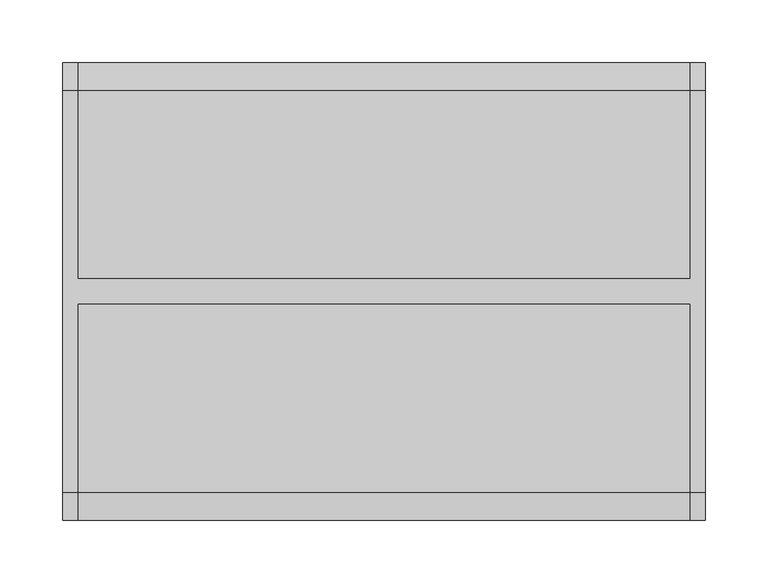
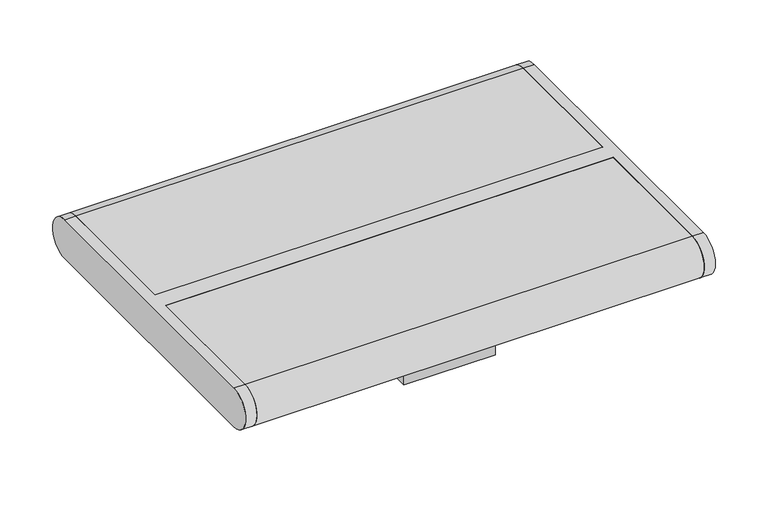
"""IFC4 building model written with IfcOpenShell, lengths in millimetres: furniture geometry."""

from ifc_helpers import new_model, si_unit, point, frame, frame_2d, origin, place, context, project, spatial, polyline, circle_curve, trimmed, segment, composite_curve, outline, extrude, source, transform, mapped, element, save
from ifc_brep_helpers import plane_surface, cylinder_surface, advanced_brep


def furniture_2fbe1e4c(model_context):
    return source(origin(), model_context, "Body", "SolidModel", [
        extrude(outline(polyline([(125.0, 359.0), (-125.0, 359.0), (-125.0, 405.0), (125.0, 405.0), (125.0, 359.0)]), holes=[polyline([(-117.202041, 397.0), (-117.202041, 367.0), (117.202041, 367.0), (117.202041, 397.0), (-117.202041, 397.0)])]), frame((-50.0, 0.0, 0.0), z_axis=(1.0, 0.0, 0.0), x_axis=(0.0, 1.0, 0.0)), (0.0, 0.0, 1.0), 100.0),
        advanced_brep(
        [(257.0, -161.0, 405.0), (257.0, 160.0, 405.0), (257.0, 160.0, 450.0), (257.0, -161.0, 450.0), (245.0, -161.0, 405.0), (245.0, -161.0, 450.0), (245.0, -10.5, 450.0), (245.0, -10.5, 405.0), (245.0, 160.0, 450.0), (245.0, 160.0, 405.0), (245.0, 9.5, 405.0), (245.0, 9.5, 450.0), (-245.0, 9.5, 450.0), (-245.0, 160.0, 450.0), (-257.0, 160.0, 450.0), (-257.0, -161.0, 450.0), (-245.0, -161.0, 450.0), (-245.0, -10.5, 450.0), (-245.0, -10.5, 405.0), (-245.0, -161.0, 405.0), (-257.0, -161.0, 405.0), (-257.0, 160.0, 405.0), (-245.0, 160.0, 405.0), (-245.0, 9.5, 405.0)],
        [
            (0, 1),
            (1, 2, circle_curve(frame((257.0, 160.0, 427.5), z_axis=(1.0, 0.0, 0.0), x_axis=(0.0, 1.0, 0.0)), 22.5)),
            (2, 3),
            (3, 0, circle_curve(frame((257.0, -161.0, 427.5), z_axis=(1.0, 0.0, 0.0), x_axis=(0.0, -1.0, 0.0)), 22.5)),
            (4, 5, circle_curve(frame((245.0, -161.0, 427.5), z_axis=(-1.0, 0.0, 0.0), x_axis=(0.0, -1.0, 0.0)), 22.5)),
            (5, 6),
            (6, 7),
            (7, 4),
            (8, 9, circle_curve(frame((245.0, 160.0, 427.5), z_axis=(-1.0, 0.0, 0.0), x_axis=(0.0, 1.0, 0.0)), 22.5)),
            (9, 10),
            (10, 11),
            (11, 8),
            (2, 8),
            (11, 12),
            (12, 13),
            (13, 14),
            (14, 15),
            (15, 16),
            (16, 17),
            (17, 6),
            (5, 3),
            (0, 4),
            (7, 18),
            (18, 19),
            (19, 20),
            (20, 21),
            (21, 22),
            (22, 23),
            (23, 10),
            (9, 1),
            (17, 18),
            (23, 12),
            (22, 13, circle_curve(frame((-245.0, 160.0, 427.5), z_axis=(1.0, 0.0, 0.0), x_axis=(0.0, -1.0, 0.0)), 22.5)),
            (16, 19, circle_curve(frame((-245.0, -161.0, 427.5), z_axis=(1.0, 0.0, 0.0), x_axis=(0.0, -1.0, 0.0)), 22.5)),
            (20, 15, circle_curve(frame((-257.0, -161.0, 427.5), z_axis=(-1.0, 0.0, 0.0), x_axis=(0.0, -1.0, 0.0)), 22.5)),
            (14, 21, circle_curve(frame((-257.0, 160.0, 427.5), z_axis=(-1.0, 0.0, 0.0), x_axis=(0.0, -1.0, 0.0)), 22.5)),
        ],
        [
            plane_surface(frame((257.0, 160.0, 405.0), z_axis=(1.0, 0.0, 0.0), x_axis=(0.0, 1.0, 0.0))),
            plane_surface(frame((245.0, 160.0, 405.0), z_axis=(-1.0, 0.0, 0.0), x_axis=(0.0, -1.0, 0.0))),
            plane_surface(frame((257.0, 160.0, 450.0), z_axis=(0.0, 0.0, 1.0), x_axis=(-1.0, 0.0, 0.0))),
            plane_surface(frame((257.0, -161.0, 405.0), z_axis=(0.0, 0.0, -1.0), x_axis=(-1.0, 0.0, 0.0))),
            cylinder_surface(frame((245.0, -161.0, 427.5), z_axis=(1.0, 0.0, 0.0), x_axis=(0.0, -1.0, 0.0)), 22.5),
            cylinder_surface(frame((245.0, 160.0, 427.5), z_axis=(1.0, 0.0, 0.0), x_axis=(0.0, 1.0, 0.0)), 22.5),
            plane_surface(frame((245.0, -10.5, 450.0), z_axis=(0.0, -1.0, 0.0), x_axis=(-1.0, 0.0, 0.0))),
            plane_surface(frame((245.0, 9.5, 405.0), z_axis=(0.0, 1.0, 0.0), x_axis=(-1.0, 0.0, 0.0))),
            plane_surface(frame((-245.0, 160.0, 405.0), z_axis=(1.0, 0.0, 0.0), x_axis=(0.0, 1.0, 0.0))),
            plane_surface(frame((-257.0, 160.0, 405.0), z_axis=(-1.0, 0.0, 0.0), x_axis=(0.0, -1.0, 0.0))),
            cylinder_surface(frame((-257.0, -161.0, 427.5), z_axis=(1.0, 0.0, 0.0), x_axis=(0.0, -1.0, 0.0)), 22.5),
            cylinder_surface(frame((-257.0, 160.0, 427.5), z_axis=(1.0, 0.0, 0.0), x_axis=(0.0, -1.0, 0.0)), 22.5),
        ],
        [
            (0, [[1, 2, 3, 4]]),
            (1, [[5, 6, 7, 8]]),
            (1, [[9, 10, 11, 12]]),
            (2, [[-3, 13, -12, 14, 15, 16, 17, 18, 19, 20, -6, 21]]),
            (3, [[-1, 22, -8, 23, 24, 25, 26, 27, 28, 29, -10, 30]]),
            (4, [[-4, -21, -5, -22]]),
            (5, [[-2, -30, -9, -13]]),
            (6, [[-20, 31, -23, -7]]),
            (7, [[-14, -11, -29, 32]]),
            (8, [[33, -15, -32, -28]]),
            (8, [[34, -24, -31, -19]]),
            (9, [[35, -17, 36, -26]]),
            (10, [[-34, -18, -35, -25]]),
            (11, [[-33, -27, -36, -16]]),
        ],
    ),
        extrude(outline(composite_curve([segment(polyline([(9.5, 405.0), (9.5, 450.0), (160.0, 450.0)]), True, "CONTINUOUS"), segment(trimmed(circle_curve(frame_2d((160.0, 427.5)), 22.5), [point((160.0, 450.0))], [point((160.0, 405.0))], False, "CARTESIAN"), True, "CONTINUOUS"), segment(polyline([(160.0, 405.0), (9.5, 405.0)]), True, "CONTINUOUS")], self_intersect=False)), frame((-245.0, 0.0, 0.0), z_axis=(1.0, 0.0, 0.0), x_axis=(0.0, 1.0, 0.0)), (0.0, 0.0, 1.0), 490.0),
        extrude(outline(composite_curve([segment(polyline([(-10.5, 405.0), (-161.0, 405.0)]), True, "CONTINUOUS"), segment(trimmed(circle_curve(frame_2d((-161.0, 427.5)), 22.5), [point((-161.0, 405.0))], [point((-161.0, 450.0))], False, "CARTESIAN"), True, "CONTINUOUS"), segment(polyline([(-161.0, 450.0), (-10.5, 450.0), (-10.5, 405.0)]), True, "CONTINUOUS")], self_intersect=False)), frame((-245.0, 0.0, 0.0), z_axis=(1.0, 0.0, 0.0), x_axis=(0.0, 1.0, 0.0)), (0.0, 0.0, 1.0), 490.0),
    ])


if __name__ == "__main__":
    model = new_model("IFC4")
    model_context = context("Model", 3, world=origin())
    ifc_project = project(units=[si_unit("LENGTHUNIT", "METRE", prefix="MILLI")], contexts=[model_context])
    site = spatial("IfcSite", under=ifc_project)
    building = spatial("IfcBuilding", under=site)
    placement = place(None, origin())
    furniture_shape = furniture_2fbe1e4c(model_context)
    element("IfcFurniture", 1, at=placement, inside=building, context=model_context, shape_type="MappedRepresentation", body=[
        mapped(furniture_shape, transform((0.0, 0.0, 0.0), x_axis=(1.0, 0.0, 0.0), y_axis=(0.0, 1.0, 0.0), z_axis=(0.0, 0.0, 1.0))),
    ])
    save(model, "model.ifc")
